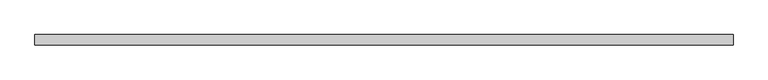
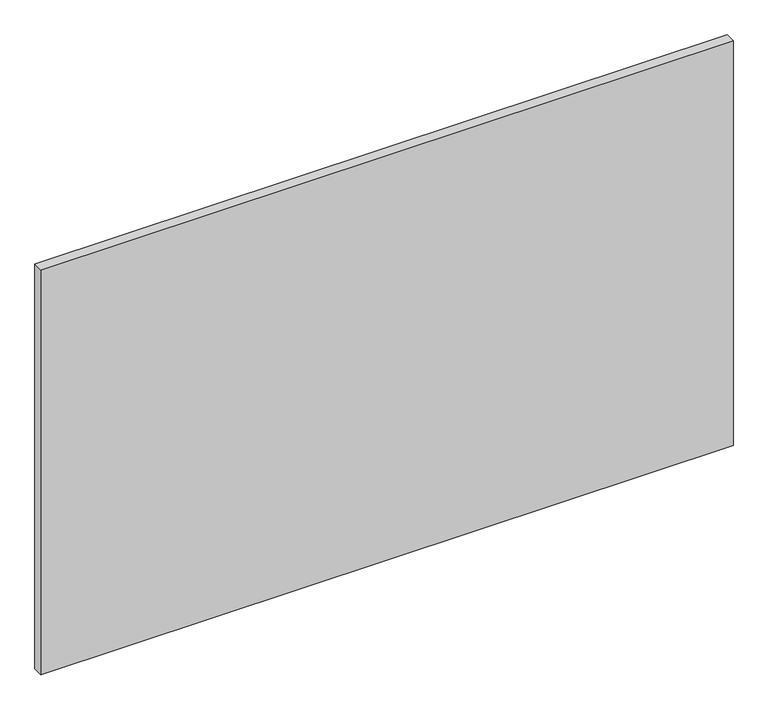
"""IFC4 building model written with IfcOpenShell, lengths in millimetres: proxy geometry."""

from ifc_helpers import new_model, si_unit, frame, origin, place, context, project, spatial, polyline, outline, extrude, source, transform, mapped, element, save


def specialty_equipment_aa954a4a(model_context):
    return source(origin(), model_context, "Body", "SweptSolid", [
        extrude(outline(polyline([(645.8249999, 0.0), (645.8249999, -19.05), (-645.8249999, -19.05), (-645.8249999, 0.0), (645.8249999, 0.0)])), frame((0.0, 0.0, 3.175), z_axis=(0.0, 0.0, 1.0), x_axis=(1.0, 0.0, 0.0)), (0.0, 0.0, 1.0), 799.2618001),
    ])


if __name__ == "__main__":
    model = new_model("IFC4")
    model_context = context("Model", 3, world=origin())
    ifc_project = project(units=[si_unit("LENGTHUNIT", "METRE", prefix="MILLI")], contexts=[model_context])
    site = spatial("IfcSite", under=ifc_project)
    building = spatial("IfcBuilding", under=site)
    placement = place(None, origin())
    specialty_equipment_shape = specialty_equipment_aa954a4a(model_context)
    element("IfcBuildingElementProxy", 1, Name="Specialty Equipment", at=placement, inside=building, context=model_context, shape_type="MappedRepresentation", body=[
        mapped(specialty_equipment_shape, transform((0.0, 0.0, 0.0), x_axis=(1.0, 0.0, 0.0), y_axis=(0.0, 1.0, 0.0), z_axis=(0.0, 0.0, 1.0))),
    ])
    save(model, "model.ifc")
